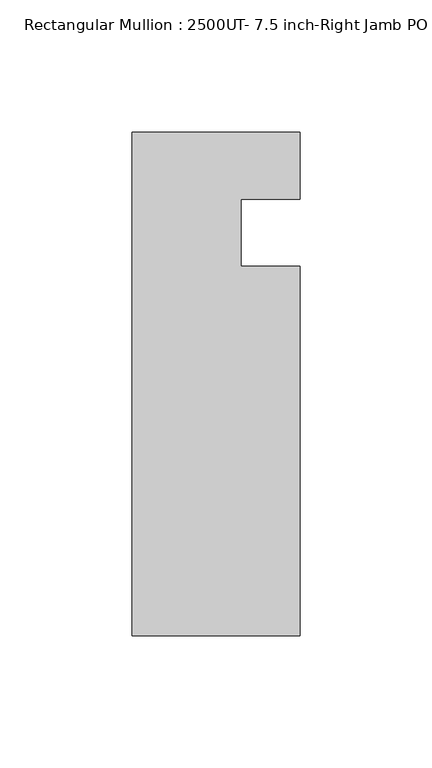
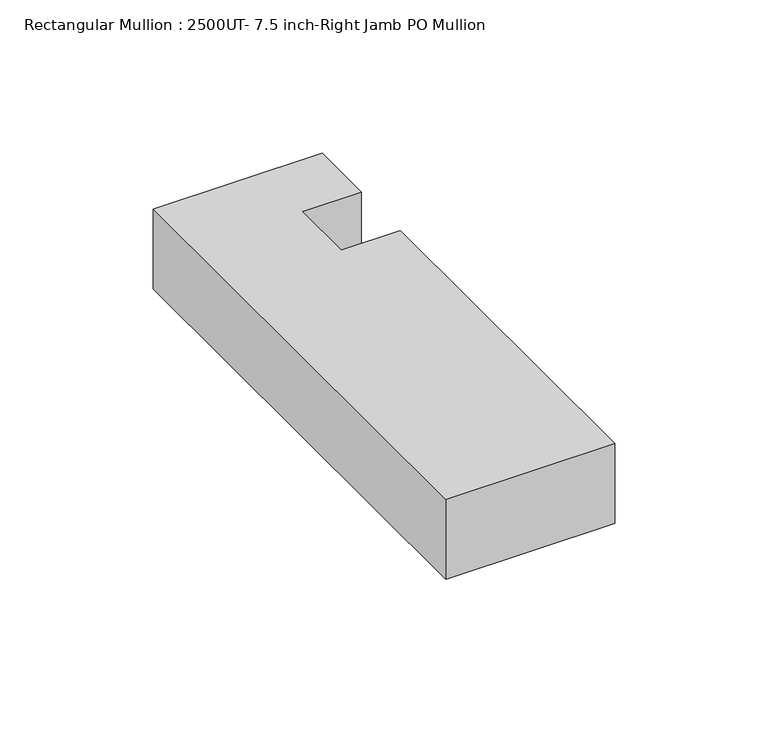
"""IFC4 building model written with IfcOpenShell, lengths in millimetres: member geometry, Rectangular Mullion : 2500UT- 7.5 inch-Right Jamb PO Mullion."""

from ifc_helpers import new_model, si_unit, frame, origin, place, context, project, spatial, polyline, outline, extrude, source, transform, mapped, element, save


def rectangular_mullion_2500ut_7_5_inch_right_jamb_po_mullion_362e8f07(model_context):
    return source(origin(), model_context, "Body", "SweptSolid", [
        extrude(outline(polyline([(31.75, -152.399995), (-31.75, -152.399995), (-31.75, 38.100005), (31.75, 38.100005), (31.75, 12.7217944), (9.525, 12.7217944), (9.525, -12.7), (31.75, -12.7), (31.75, -152.399995)])), frame((0.0, 0.0, -31.75), z_axis=(0.0, 0.0, 1.0), x_axis=(1.0, 0.0, 0.0)), (0.0, 0.0, 1.0), 31.75),
    ])


if __name__ == "__main__":
    model = new_model("IFC4")
    model_context = context("Model", 3, world=origin())
    ifc_project = project(units=[si_unit("LENGTHUNIT", "METRE", prefix="MILLI")], contexts=[model_context])
    site = spatial("IfcSite", under=ifc_project)
    building = spatial("IfcBuilding", under=site)
    placement = place(None, origin())
    rectangular_mullion_2500ut_7_5_inch_right_jamb_po_mullion_shape = rectangular_mullion_2500ut_7_5_inch_right_jamb_po_mullion_362e8f07(model_context)
    element("IfcMember", 1, ObjectType="Rectangular Mullion : 2500UT- 7.5 inch-Right Jamb PO Mullion", at=placement, inside=building, context=model_context, shape_type="MappedRepresentation", body=[
        mapped(rectangular_mullion_2500ut_7_5_inch_right_jamb_po_mullion_shape, transform((0.0, 0.0, 0.0), x_axis=(1.0, 0.0, 0.0), y_axis=(0.0, 1.0, 0.0), z_axis=(0.0, 0.0, 1.0))),
    ])
    save(model, "model.ifc")
